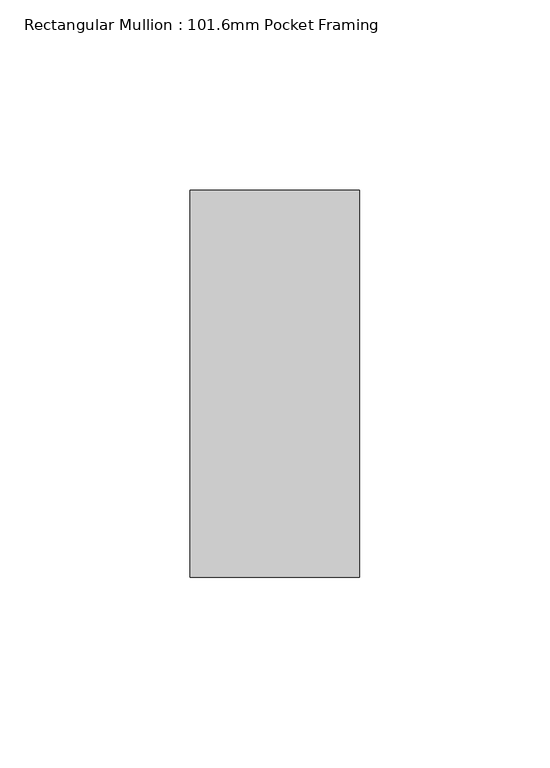
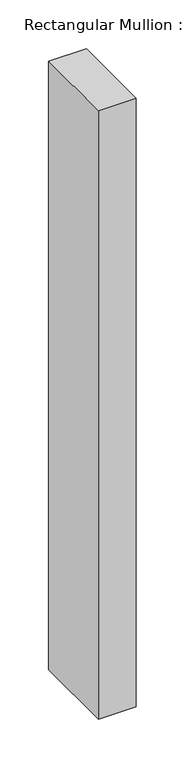
"""IFC4 building model written with IfcOpenShell, lengths in millimetres: member geometry, Rectangular Mullion : 101.6mm Pocket Framing."""

import ifcopenshell
import ifcopenshell.guid

model = None  # the IFC model being written
_history = None  # IfcOwnerHistory: only IFC2X3 demands one
_inside = {}  # id of a spatial element -> (the spatial element, [elements in it])
_under = {}  # id of a project, library or spatial element -> (it, [spatial elements below it])
_declared = {}  # id of a project -> (the project, [libraries it declares])
_typed = {}  # id of a type object -> (the type object, [elements of that type])
_made_of = {}  # id of a material, layer set ... -> (it, [elements and type objects made of it])


def new_model(schema):
    """Start an empty IFC model of exactly this schema.

    Asked for "IFC4X3", IfcOpenShell would pick the latest addendum, in which some entities
    have other attributes; the version numbers below select the first issue.
    IFC2X3 requires an IfcOwnerHistory on every rooted entity: one is made here for all.
    """
    global model, _history
    if schema == "IFC4X3":
        model = ifcopenshell.file(schema_version=(4, 3, 0, 0))
    else:
        model = ifcopenshell.file(schema=schema)
    _inside.clear()
    _under.clear()
    _declared.clear()
    _typed.clear()
    _made_of.clear()
    _history = None
    if model.schema == "IFC2X3":
        org = make("IfcOrganization", Name="unknown")
        user = make(
            "IfcPersonAndOrganization",
            ThePerson=make("IfcPerson", FamilyName="unknown"),
            TheOrganization=org,
        )
        app = make(
            "IfcApplication",
            ApplicationDeveloper=org,
            Version="unknown",
            ApplicationFullName="unknown",
            ApplicationIdentifier="unknown",
        )
        _history = make(
            "IfcOwnerHistory",
            OwningUser=user,
            OwningApplication=app,
            ChangeAction="ADDED",
            CreationDate=0,
        )
    return model


def make(cls, **values):
    """One entity of the class cls with the attributes given. An attribute that is None is left unset."""
    return model.create_entity(
        cls, **{name: value for name, value in values.items() if value is not None}
    )


def rooted(cls, **values):
    """An entity with a GlobalId (a new one), such as an element, a storey or a relation."""
    return make(cls, GlobalId=ifcopenshell.guid.new(), OwnerHistory=_history, **values)


def si_unit(unit_type, name, prefix=None):
    """IfcSIUnit, for example si_unit("LENGTHUNIT", "METRE", prefix="MILLI")."""
    return make("IfcSIUnit", UnitType=unit_type, Prefix=prefix, Name=name)


def assignment(units):
    """IfcUnitAssignment: the units of a project."""
    return None if units is None else make("IfcUnitAssignment", Units=units)


def point(xyz):
    """IfcCartesianPoint."""
    return None if xyz is None else make("IfcCartesianPoint", Coordinates=xyz)


def direction(xyz):
    """IfcDirection."""
    return None if xyz is None else make("IfcDirection", DirectionRatios=xyz)


def frame(location, z_axis=None, x_axis=None):
    """IfcAxis2Placement3D, a coordinate frame: its origin and axes. An axis left out is left unset."""
    return make(
        "IfcAxis2Placement3D",
        Location=point(location),
        Axis=direction(z_axis),
        RefDirection=direction(x_axis),
    )


def origin():
    """The frame at (0, 0, 0) with its axes left unset."""
    return frame((0.0, 0.0, 0.0))


def place(relative_to, where):
    """IfcLocalPlacement: puts the frame where relative to a parent placement (None: the world)."""
    return make(
        "IfcLocalPlacement", PlacementRelTo=relative_to, RelativePlacement=where
    )


def context(
    kind, dimensions, precision=None, world=None, true_north=None, identifier=None
):
    """IfcGeometricRepresentationContext, for example the 3D "Model" context."""
    return make(
        "IfcGeometricRepresentationContext",
        ContextIdentifier=identifier,
        ContextType=kind,
        CoordinateSpaceDimension=dimensions,
        Precision=precision,
        WorldCoordinateSystem=world,
        TrueNorth=true_north,
    )


def project(units=None, contexts=None):
    """IfcProject with its units and contexts."""
    return rooted(
        "IfcProject",
        Name="project",
        RepresentationContexts=contexts,
        UnitsInContext=assignment(units),
    )


def spatial(cls, under=None, at=None, **own):
    """A site, building, storey or space (cls), placed at a placement, below another one or the project."""
    s = rooted(cls, ObjectPlacement=at, **own)
    if under is not None:
        _under.setdefault(under.id(), (under, []))[1].append(s)
    return s


def polyline(points):
    """IfcPolyline through the points."""
    return make("IfcPolyline", Points=[point(p) for p in points])


def outline(outer, holes=None, kind="AREA"):
    """IfcArbitraryClosedProfileDef: a profile drawn as a closed curve; with holes, ...WithVoids."""
    if holes is None:
        return make("IfcArbitraryClosedProfileDef", ProfileType=kind, OuterCurve=outer)
    return make(
        "IfcArbitraryProfileDefWithVoids",
        ProfileType=kind,
        OuterCurve=outer,
        InnerCurves=holes,
    )


def extrude(swept, where, along, depth):
    """IfcExtrudedAreaSolid: the profile swept, set in the frame where, extruded along a direction by depth."""
    return make(
        "IfcExtrudedAreaSolid",
        SweptArea=swept,
        Position=where,
        ExtrudedDirection=direction(along),
        Depth=depth,
    )


def shape(context_of_items, identifier, shape_type, items):
    """IfcShapeRepresentation: the items that make up one representation, for example the "Body"."""
    return make(
        "IfcShapeRepresentation",
        ContextOfItems=context_of_items,
        RepresentationIdentifier=identifier,
        RepresentationType=shape_type,
        Items=items,
    )


def source(mapping_origin, context_of_items, identifier, shape_type, items):
    """IfcRepresentationMap: a shape defined once, which mapped items show again and again."""
    return make(
        "IfcRepresentationMap",
        MappingOrigin=mapping_origin,
        MappedRepresentation=shape(context_of_items, identifier, shape_type, items),
    )


def transform(
    local_origin,
    x_axis=None,
    y_axis=None,
    z_axis=None,
    scale=None,
    scale2=None,
    scale3=None,
    uniform=True,
):
    """IfcCartesianTransformationOperator3D, or its non-uniform kind. x_axis, y_axis, z_axis: its Axis1, 2, 3."""
    if uniform:
        return make(
            "IfcCartesianTransformationOperator3D",
            Axis1=direction(x_axis),
            Axis2=direction(y_axis),
            LocalOrigin=point(local_origin),
            Scale=scale,
            Axis3=direction(z_axis),
        )
    return make(
        "IfcCartesianTransformationOperator3DnonUniform",
        Axis1=direction(x_axis),
        Axis2=direction(y_axis),
        LocalOrigin=point(local_origin),
        Scale=scale,
        Axis3=direction(z_axis),
        Scale2=scale2,
        Scale3=scale3,
    )


def mapped(mapping_source, mapping_target):
    """IfcMappedItem: shows the shape of a source again, moved by a transform."""
    return make(
        "IfcMappedItem", MappingSource=mapping_source, MappingTarget=mapping_target
    )


def made_of(thing, what):
    """Note that an element or type object is made of a material, layer set ...; save() writes the relation."""
    if what is not None:
        _made_of.setdefault(what.id(), (what, []))[1].append(thing)
    return thing


def element(
    cls,
    number,
    at=None,
    inside=None,
    cuts=None,
    type_object=None,
    material=None,
    context=None,
    identifier="Body",
    shape_type=None,
    held_by="IfcProductDefinitionShape",
    body=None,
    shapes=None,
    **own,
):
    """One element of the class cls, such as IfcWall. Its Tag is "e" and its number.

    at: its placement. inside: the storey or other place that contains it. cuts: it is an
    opening in that element (IfcRelVoidsElement). A single representation is given by context,
    identifier, shape_type and body (its items); several are given by shapes. held_by: the class
    of the entity that holds the representations. save() writes the other relations.
    """
    e = rooted(cls, Tag="e%d" % number, ObjectPlacement=at, **own)
    if body is not None:
        shapes = [shape(context, identifier, shape_type, body)]
    if shapes is not None:
        e.Representation = make(held_by, Representations=shapes)
    if inside is not None:
        _inside.setdefault(inside.id(), (inside, []))[1].append(e)
    if cuts is not None:
        rooted(
            "IfcRelVoidsElement", RelatingBuildingElement=cuts, RelatedOpeningElement=e
        )
    if type_object is not None:
        _typed.setdefault(type_object.id(), (type_object, []))[1].append(e)
    return made_of(e, material)


def aggregate(whole, parts):
    """IfcRelAggregates: a whole, such as a stair, and the parts it consists of."""
    return rooted("IfcRelAggregates", RelatingObject=whole, RelatedObjects=parts)


def save(model, path):
    """Write the relations noted so far, then the file.

    IfcRelAggregates (storeys below a building ...), IfcRelContainedInSpatialStructure (elements
    in a storey), IfcRelDefinesByType, IfcRelAssociatesMaterial and IfcRelDeclares: one each for
    every whole, place, type object, material and project.
    """
    for whole, parts in _under.values():
        aggregate(whole, parts)
    for where, things in _inside.values():
        rooted(
            "IfcRelContainedInSpatialStructure",
            RelatedElements=things,
            RelatingStructure=where,
        )
    for kind, things in _typed.values():
        rooted("IfcRelDefinesByType", RelatedObjects=things, RelatingType=kind)
    for what, things in _made_of.values():
        rooted("IfcRelAssociatesMaterial", RelatedObjects=things, RelatingMaterial=what)
    for by, libraries in _declared.values():
        rooted("IfcRelDeclares", RelatingContext=by, RelatedDefinitions=libraries)
    model.write(path)


def rectangular_mullion_101_6mm_pocket_framing_a92e5454(model_context):
    return source(origin(), model_context, "Body", "SweptSolid", [
        extrude(outline(polyline([(0.0, 50.8), (0.0, -50.8), (-44.5, -50.8), (-44.5, 50.8), (0.0, 50.8)])), frame((0.0, 0.0, -760.0), z_axis=(0.0, 0.0, 1.0), x_axis=(1.0, 0.0, 0.0)), (0.0, 0.0, 1.0), 760.0),
    ])


if __name__ == "__main__":
    model = new_model("IFC4")
    model_context = context("Model", 3, world=origin())
    ifc_project = project(units=[si_unit("LENGTHUNIT", "METRE", prefix="MILLI")], contexts=[model_context])
    site = spatial("IfcSite", under=ifc_project)
    building = spatial("IfcBuilding", under=site)
    placement = place(None, origin())
    rectangular_mullion_101_6mm_pocket_framing_shape = rectangular_mullion_101_6mm_pocket_framing_a92e5454(model_context)
    element("IfcMember", 1, ObjectType="Rectangular Mullion : 101.6mm Pocket Framing", at=placement, inside=building, context=model_context, shape_type="MappedRepresentation", body=[
        mapped(rectangular_mullion_101_6mm_pocket_framing_shape, transform((0.0, 0.0, 0.0), x_axis=(1.0, 0.0, 0.0), y_axis=(0.0, 1.0, 0.0), z_axis=(0.0, 0.0, 1.0))),
    ])
    save(model, "model.ifc")
